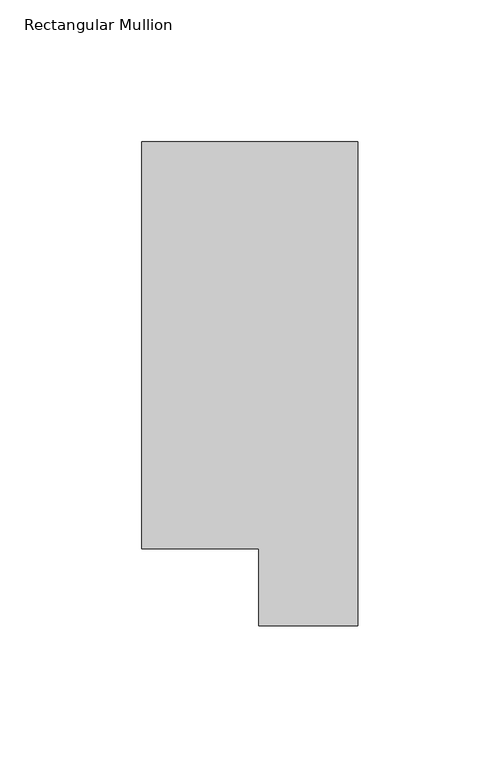
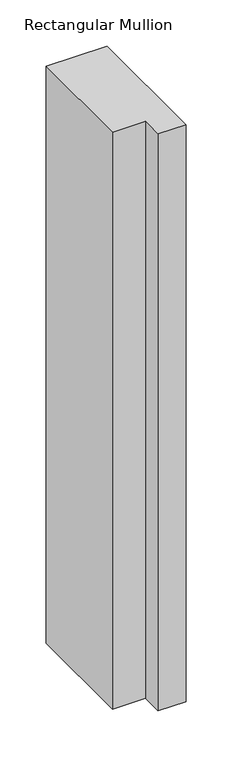
"""IFC4 building model written with IfcOpenShell, lengths in millimetres: member geometry, Rectangular Mullion."""

from ifc_helpers import new_model, si_unit, frame, origin, place, context, project, spatial, polyline, outline, extrude, source, transform, mapped, element, save


def rectangular_mullion_d77a5f99(model_context):
    return source(origin(), model_context, "Body", "SweptSolid", [
        extrude(outline(polyline([(0.0, 190.2801312), (0.0, 19.5667312), (-34.9123, 19.5667312), (-34.9123, 46.7447302), (-76.2, 46.7447302), (-76.2, 190.2801312), (0.0, 190.2801312)])), frame((0.0, 0.0, -762.0), z_axis=(0.0, 0.0, 1.0), x_axis=(1.0, 0.0, 0.0)), (0.0, 0.0, 1.0), 762.0),
    ])


if __name__ == "__main__":
    model = new_model("IFC4")
    model_context = context("Model", 3, world=origin())
    ifc_project = project(units=[si_unit("LENGTHUNIT", "METRE", prefix="MILLI")], contexts=[model_context])
    site = spatial("IfcSite", under=ifc_project)
    building = spatial("IfcBuilding", under=site)
    placement = place(None, origin())
    rectangular_mullion_shape = rectangular_mullion_d77a5f99(model_context)
    element("IfcMember", 1, ObjectType="Rectangular Mullion", at=placement, inside=building, context=model_context, shape_type="MappedRepresentation", body=[
        mapped(rectangular_mullion_shape, transform((0.0, 0.0, 0.0), x_axis=(1.0, 0.0, 0.0), y_axis=(0.0, 1.0, 0.0), z_axis=(0.0, 0.0, 1.0))),
    ])
    save(model, "model.ifc")
